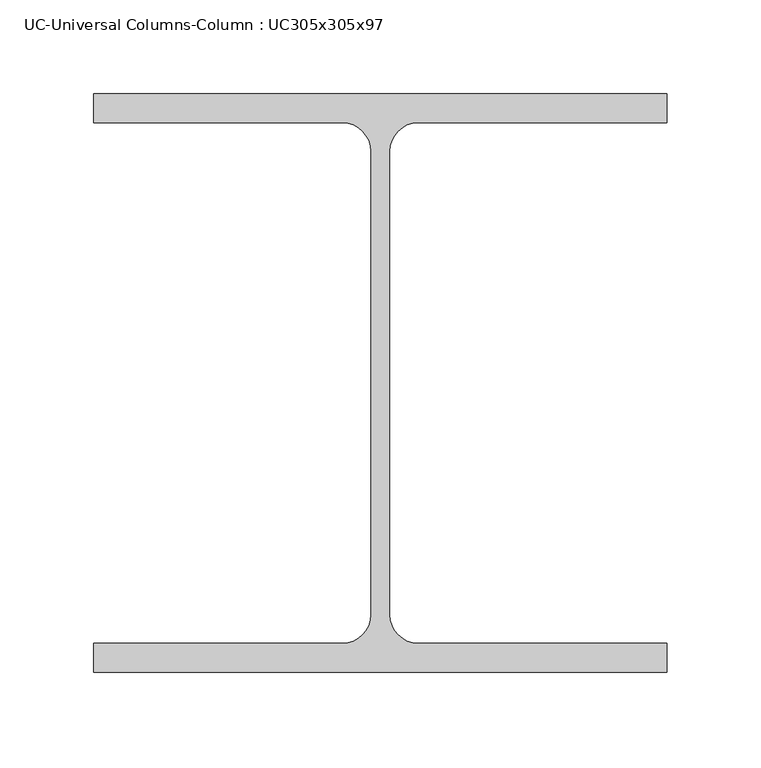
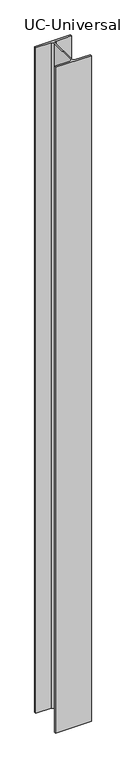
"""IFC4 building model written with IfcOpenShell, lengths in millimetres: column geometry, UC-Universal Columns-Column : UC305x305x97."""

from ifc_helpers import new_model, si_unit, point, frame_2d, origin, origin_with_axes, place, context, project, spatial, polyline, circle_curve, trimmed, segment, composite_curve, outline, extrude, source, transform, mapped, element, save


def uc_universal_columns_column_uc305x305x97_76abc542(model_context):
    return source(origin(), model_context, "Body", "SweptSolid", [
        extrude(outline(composite_curve([segment(polyline([(152.65, 153.95), (152.65, 138.55), (20.15, 138.55)]), True, "CONTINUOUS"), segment(trimmed(circle_curve(frame_2d((20.15, 123.35)), 15.2), [point((20.15, 138.55))], [point((4.95, 123.35))], True, "CARTESIAN"), True, "CONTINUOUS"), segment(polyline([(4.95, 123.35), (4.95, -123.35)]), True, "CONTINUOUS"), segment(trimmed(circle_curve(frame_2d((20.15, -123.35)), 15.2), [point((4.95, -123.35))], [point((20.15, -138.55))], True, "CARTESIAN"), True, "CONTINUOUS"), segment(polyline([(20.15, -138.55), (152.65, -138.55), (152.65, -153.95), (-152.65, -153.95), (-152.65, -138.55), (-20.15, -138.55)]), True, "CONTINUOUS"), segment(trimmed(circle_curve(frame_2d((-20.15, -123.35)), 15.2), [point((-20.15, -138.55))], [point((-4.95, -123.35))], True, "CARTESIAN"), True, "CONTINUOUS"), segment(polyline([(-4.95, -123.35), (-4.95, 123.35)]), True, "CONTINUOUS"), segment(trimmed(circle_curve(frame_2d((-20.15, 123.35)), 15.2), [point((-4.95, 123.35))], [point((-20.15, 138.55))], True, "CARTESIAN"), True, "CONTINUOUS"), segment(polyline([(-20.15, 138.55), (-152.65, 138.55), (-152.65, 153.95), (152.65, 153.95)]), True, "CONTINUOUS")], self_intersect=False)), origin_with_axes(), (0.0, 0.0, 1.0), 6000.0),
    ])


if __name__ == "__main__":
    model = new_model("IFC4")
    model_context = context("Model", 3, world=origin())
    ifc_project = project(units=[si_unit("LENGTHUNIT", "METRE", prefix="MILLI")], contexts=[model_context])
    site = spatial("IfcSite", under=ifc_project)
    building = spatial("IfcBuilding", under=site)
    placement = place(None, origin())
    uc_universal_columns_column_uc305x305x97_shape = uc_universal_columns_column_uc305x305x97_76abc542(model_context)
    element("IfcColumn", 1, ObjectType="UC-Universal Columns-Column : UC305x305x97", at=placement, inside=building, context=model_context, shape_type="MappedRepresentation", body=[
        mapped(uc_universal_columns_column_uc305x305x97_shape, transform((0.0, 0.0, 0.0), x_axis=(1.0, 0.0, 0.0), y_axis=(0.0, 1.0, 0.0), z_axis=(0.0, 0.0, 1.0))),
    ])
    save(model, "model.ifc")
